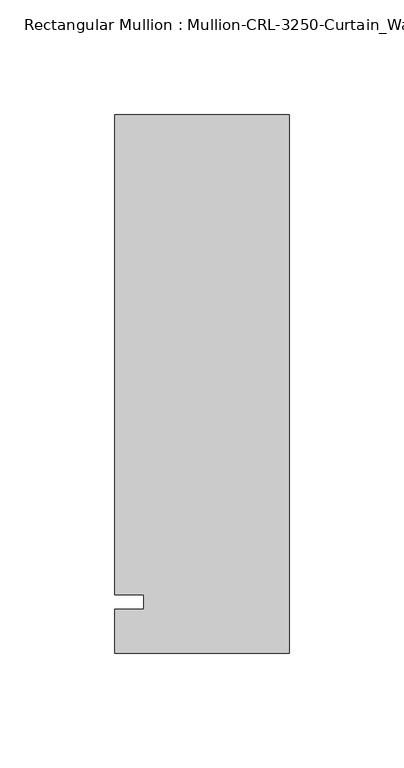
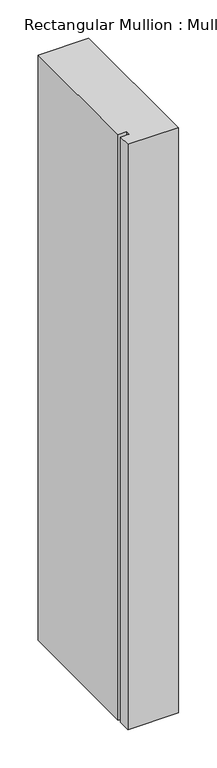
"""IFC4 building model written with IfcOpenShell, lengths in millimetres: member geometry."""

from ifc_helpers import new_model, si_unit, frame, origin, place, context, project, spatial, polyline, outline, extrude, source, transform, mapped, element, save


def member_6e7d55c1(model_context):
    return source(origin(), model_context, "Body", "SweptSolid", [
        extrude(outline(polyline([(0.0, -22.2254168), (-76.199997, -22.2254168), (-76.199997, -3.175), (-63.499997, -3.175), (-63.499997, 3.175), (-76.199997, 3.175), (-76.199997, 212.7246139), (0.0, 212.7246139), (0.0, -22.2254168)])), frame((0.0, 0.0, -933.4410361), z_axis=(0.0, 0.0, 1.0), x_axis=(1.0, 0.0, 0.0)), (0.0, 0.0, 1.0), 933.4410361),
    ])


if __name__ == "__main__":
    model = new_model("IFC4")
    model_context = context("Model", 3, world=origin())
    ifc_project = project(units=[si_unit("LENGTHUNIT", "METRE", prefix="MILLI")], contexts=[model_context])
    site = spatial("IfcSite", under=ifc_project)
    building = spatial("IfcBuilding", under=site)
    placement = place(None, origin())
    member_shape = member_6e7d55c1(model_context)
    element("IfcMember", 1, ObjectType="Rectangular Mullion : Mullion-CRL-3250-Curtain_Wall-Head-8\"", at=placement, inside=building, context=model_context, shape_type="MappedRepresentation", body=[
        mapped(member_shape, transform((0.0, 0.0, 0.0), x_axis=(1.0, 0.0, 0.0), y_axis=(0.0, 1.0, 0.0), z_axis=(0.0, 0.0, 1.0))),
    ])
    save(model, "model.ifc")
